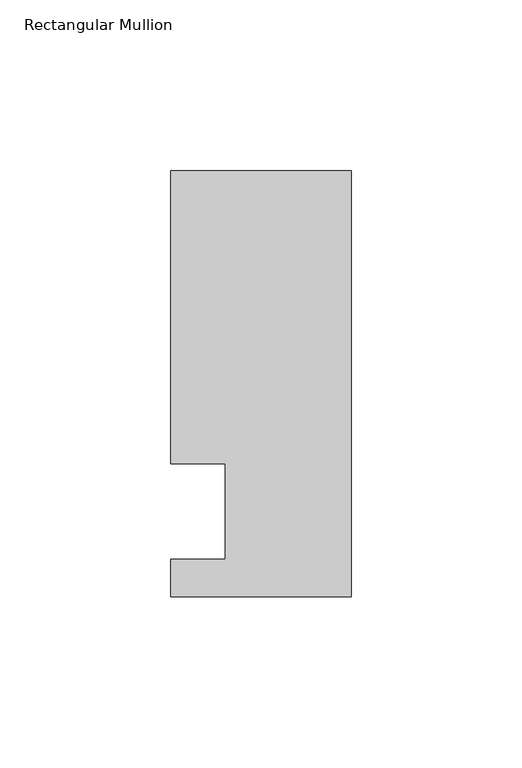
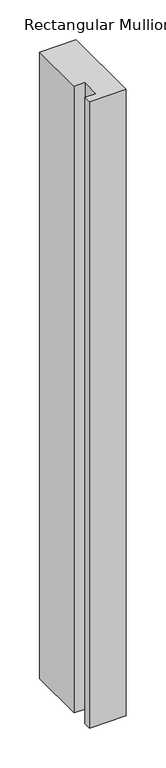
"""IFC4 building model written with IfcOpenShell, lengths in millimetres: member geometry, Rectangular Mullion."""

from ifc_helpers import new_model, si_unit, frame, origin, place, context, project, spatial, polyline, outline, extrude, source, transform, mapped, element, save


def rectangular_mullion_7d9bfe17(model_context):
    return source(origin(), model_context, "Body", "SweptSolid", [
        extrude(outline(polyline([(0.0, -25.0), (-53.0, -25.0), (-53.0, -14.0), (-37.0, -14.0), (-37.0, 14.0), (-53.0, 14.0), (-53.0, 100.0), (0.0, 100.0), (0.0, -25.0)])), frame((0.0, 0.0, -958.9865328), z_axis=(0.0, 0.0, 1.0), x_axis=(1.0, 0.0, 0.0)), (0.0, 0.0, 1.0), 958.9865328),
    ])


if __name__ == "__main__":
    model = new_model("IFC4")
    model_context = context("Model", 3, world=origin())
    ifc_project = project(units=[si_unit("LENGTHUNIT", "METRE", prefix="MILLI")], contexts=[model_context])
    site = spatial("IfcSite", under=ifc_project)
    building = spatial("IfcBuilding", under=site)
    placement = place(None, origin())
    rectangular_mullion_shape = rectangular_mullion_7d9bfe17(model_context)
    element("IfcMember", 1, ObjectType="Rectangular Mullion", at=placement, inside=building, context=model_context, shape_type="MappedRepresentation", body=[
        mapped(rectangular_mullion_shape, transform((0.0, 0.0, 0.0), x_axis=(1.0, 0.0, 0.0), y_axis=(0.0, 1.0, 0.0), z_axis=(0.0, 0.0, 1.0))),
    ])
    save(model, "model.ifc")
